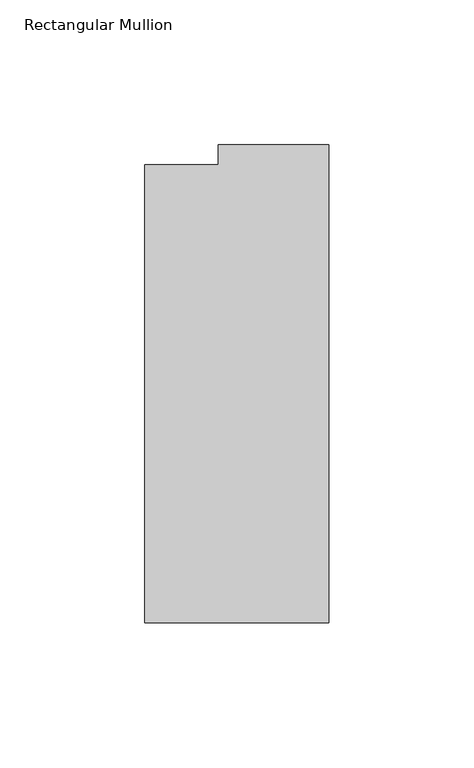
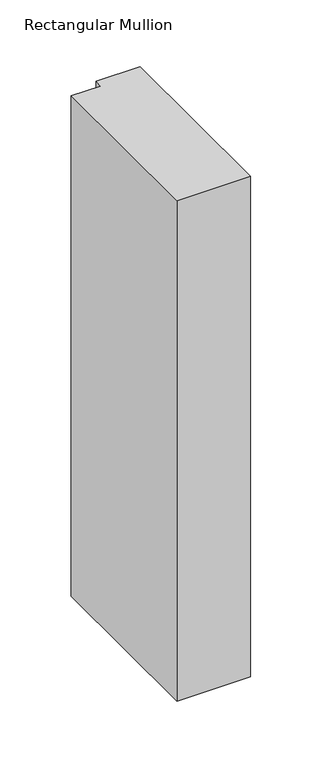
"""IFC4 building model written with IfcOpenShell, lengths in millimetres: member geometry, Rectangular Mullion."""

import ifcopenshell
import ifcopenshell.guid

model = None  # the IFC model being written
_history = None  # IfcOwnerHistory: only IFC2X3 demands one
_inside = {}  # id of a spatial element -> (the spatial element, [elements in it])
_under = {}  # id of a project, library or spatial element -> (it, [spatial elements below it])
_declared = {}  # id of a project -> (the project, [libraries it declares])
_typed = {}  # id of a type object -> (the type object, [elements of that type])
_made_of = {}  # id of a material, layer set ... -> (it, [elements and type objects made of it])


def new_model(schema):
    """Start an empty IFC model of exactly this schema.

    Asked for "IFC4X3", IfcOpenShell would pick the latest addendum, in which some entities
    have other attributes; the version numbers below select the first issue.
    IFC2X3 requires an IfcOwnerHistory on every rooted entity: one is made here for all.
    """
    global model, _history
    if schema == "IFC4X3":
        model = ifcopenshell.file(schema_version=(4, 3, 0, 0))
    else:
        model = ifcopenshell.file(schema=schema)
    _inside.clear()
    _under.clear()
    _declared.clear()
    _typed.clear()
    _made_of.clear()
    _history = None
    if model.schema == "IFC2X3":
        org = make("IfcOrganization", Name="unknown")
        user = make(
            "IfcPersonAndOrganization",
            ThePerson=make("IfcPerson", FamilyName="unknown"),
            TheOrganization=org,
        )
        app = make(
            "IfcApplication",
            ApplicationDeveloper=org,
            Version="unknown",
            ApplicationFullName="unknown",
            ApplicationIdentifier="unknown",
        )
        _history = make(
            "IfcOwnerHistory",
            OwningUser=user,
            OwningApplication=app,
            ChangeAction="ADDED",
            CreationDate=0,
        )
    return model


def make(cls, **values):
    """One entity of the class cls with the attributes given. An attribute that is None is left unset."""
    return model.create_entity(
        cls, **{name: value for name, value in values.items() if value is not None}
    )


def rooted(cls, **values):
    """An entity with a GlobalId (a new one), such as an element, a storey or a relation."""
    return make(cls, GlobalId=ifcopenshell.guid.new(), OwnerHistory=_history, **values)


def si_unit(unit_type, name, prefix=None):
    """IfcSIUnit, for example si_unit("LENGTHUNIT", "METRE", prefix="MILLI")."""
    return make("IfcSIUnit", UnitType=unit_type, Prefix=prefix, Name=name)


def assignment(units):
    """IfcUnitAssignment: the units of a project."""
    return None if units is None else make("IfcUnitAssignment", Units=units)


def point(xyz):
    """IfcCartesianPoint."""
    return None if xyz is None else make("IfcCartesianPoint", Coordinates=xyz)


def direction(xyz):
    """IfcDirection."""
    return None if xyz is None else make("IfcDirection", DirectionRatios=xyz)


def frame(location, z_axis=None, x_axis=None):
    """IfcAxis2Placement3D, a coordinate frame: its origin and axes. An axis left out is left unset."""
    return make(
        "IfcAxis2Placement3D",
        Location=point(location),
        Axis=direction(z_axis),
        RefDirection=direction(x_axis),
    )


def origin():
    """The frame at (0, 0, 0) with its axes left unset."""
    return frame((0.0, 0.0, 0.0))


def place(relative_to, where):
    """IfcLocalPlacement: puts the frame where relative to a parent placement (None: the world)."""
    return make(
        "IfcLocalPlacement", PlacementRelTo=relative_to, RelativePlacement=where
    )


def context(
    kind, dimensions, precision=None, world=None, true_north=None, identifier=None
):
    """IfcGeometricRepresentationContext, for example the 3D "Model" context."""
    return make(
        "IfcGeometricRepresentationContext",
        ContextIdentifier=identifier,
        ContextType=kind,
        CoordinateSpaceDimension=dimensions,
        Precision=precision,
        WorldCoordinateSystem=world,
        TrueNorth=true_north,
    )


def project(units=None, contexts=None):
    """IfcProject with its units and contexts."""
    return rooted(
        "IfcProject",
        Name="project",
        RepresentationContexts=contexts,
        UnitsInContext=assignment(units),
    )


def spatial(cls, under=None, at=None, **own):
    """A site, building, storey or space (cls), placed at a placement, below another one or the project."""
    s = rooted(cls, ObjectPlacement=at, **own)
    if under is not None:
        _under.setdefault(under.id(), (under, []))[1].append(s)
    return s


def polyline(points):
    """IfcPolyline through the points."""
    return make("IfcPolyline", Points=[point(p) for p in points])


def outline(outer, holes=None, kind="AREA"):
    """IfcArbitraryClosedProfileDef: a profile drawn as a closed curve; with holes, ...WithVoids."""
    if holes is None:
        return make("IfcArbitraryClosedProfileDef", ProfileType=kind, OuterCurve=outer)
    return make(
        "IfcArbitraryProfileDefWithVoids",
        ProfileType=kind,
        OuterCurve=outer,
        InnerCurves=holes,
    )


def extrude(swept, where, along, depth):
    """IfcExtrudedAreaSolid: the profile swept, set in the frame where, extruded along a direction by depth."""
    return make(
        "IfcExtrudedAreaSolid",
        SweptArea=swept,
        Position=where,
        ExtrudedDirection=direction(along),
        Depth=depth,
    )


def shape(context_of_items, identifier, shape_type, items):
    """IfcShapeRepresentation: the items that make up one representation, for example the "Body"."""
    return make(
        "IfcShapeRepresentation",
        ContextOfItems=context_of_items,
        RepresentationIdentifier=identifier,
        RepresentationType=shape_type,
        Items=items,
    )


def source(mapping_origin, context_of_items, identifier, shape_type, items):
    """IfcRepresentationMap: a shape defined once, which mapped items show again and again."""
    return make(
        "IfcRepresentationMap",
        MappingOrigin=mapping_origin,
        MappedRepresentation=shape(context_of_items, identifier, shape_type, items),
    )


def transform(
    local_origin,
    x_axis=None,
    y_axis=None,
    z_axis=None,
    scale=None,
    scale2=None,
    scale3=None,
    uniform=True,
):
    """IfcCartesianTransformationOperator3D, or its non-uniform kind. x_axis, y_axis, z_axis: its Axis1, 2, 3."""
    if uniform:
        return make(
            "IfcCartesianTransformationOperator3D",
            Axis1=direction(x_axis),
            Axis2=direction(y_axis),
            LocalOrigin=point(local_origin),
            Scale=scale,
            Axis3=direction(z_axis),
        )
    return make(
        "IfcCartesianTransformationOperator3DnonUniform",
        Axis1=direction(x_axis),
        Axis2=direction(y_axis),
        LocalOrigin=point(local_origin),
        Scale=scale,
        Axis3=direction(z_axis),
        Scale2=scale2,
        Scale3=scale3,
    )


def mapped(mapping_source, mapping_target):
    """IfcMappedItem: shows the shape of a source again, moved by a transform."""
    return make(
        "IfcMappedItem", MappingSource=mapping_source, MappingTarget=mapping_target
    )


def made_of(thing, what):
    """Note that an element or type object is made of a material, layer set ...; save() writes the relation."""
    if what is not None:
        _made_of.setdefault(what.id(), (what, []))[1].append(thing)
    return thing


def element(
    cls,
    number,
    at=None,
    inside=None,
    cuts=None,
    type_object=None,
    material=None,
    context=None,
    identifier="Body",
    shape_type=None,
    held_by="IfcProductDefinitionShape",
    body=None,
    shapes=None,
    **own,
):
    """One element of the class cls, such as IfcWall. Its Tag is "e" and its number.

    at: its placement. inside: the storey or other place that contains it. cuts: it is an
    opening in that element (IfcRelVoidsElement). A single representation is given by context,
    identifier, shape_type and body (its items); several are given by shapes. held_by: the class
    of the entity that holds the representations. save() writes the other relations.
    """
    e = rooted(cls, Tag="e%d" % number, ObjectPlacement=at, **own)
    if body is not None:
        shapes = [shape(context, identifier, shape_type, body)]
    if shapes is not None:
        e.Representation = make(held_by, Representations=shapes)
    if inside is not None:
        _inside.setdefault(inside.id(), (inside, []))[1].append(e)
    if cuts is not None:
        rooted(
            "IfcRelVoidsElement", RelatingBuildingElement=cuts, RelatedOpeningElement=e
        )
    if type_object is not None:
        _typed.setdefault(type_object.id(), (type_object, []))[1].append(e)
    return made_of(e, material)


def aggregate(whole, parts):
    """IfcRelAggregates: a whole, such as a stair, and the parts it consists of."""
    return rooted("IfcRelAggregates", RelatingObject=whole, RelatedObjects=parts)


def save(model, path):
    """Write the relations noted so far, then the file.

    IfcRelAggregates (storeys below a building ...), IfcRelContainedInSpatialStructure (elements
    in a storey), IfcRelDefinesByType, IfcRelAssociatesMaterial and IfcRelDeclares: one each for
    every whole, place, type object, material and project.
    """
    for whole, parts in _under.values():
        aggregate(whole, parts)
    for where, things in _inside.values():
        rooted(
            "IfcRelContainedInSpatialStructure",
            RelatedElements=things,
            RelatingStructure=where,
        )
    for kind, things in _typed.values():
        rooted("IfcRelDefinesByType", RelatedObjects=things, RelatingType=kind)
    for what, things in _made_of.values():
        rooted("IfcRelAssociatesMaterial", RelatedObjects=things, RelatingMaterial=what)
    for by, libraries in _declared.values():
        rooted("IfcRelDeclares", RelatingContext=by, RelatedDefinitions=libraries)
    model.write(path)


def rectangular_mullion_39025ef6(model_context):
    return source(origin(), model_context, "Body", "SweptSolid", [
        extrude(outline(polyline([(-38.1, 32.54375), (0.0, 32.54375), (0.0, -132.55625), (-63.5, -132.55625), (-63.5, 25.58415), (-38.1, 25.58415), (-38.1, 32.54375)])), frame((0.0, 0.0, -457.2), z_axis=(0.0, 0.0, 1.0), x_axis=(1.0, 0.0, 0.0)), (0.0, 0.0, 1.0), 457.2),
    ])


if __name__ == "__main__":
    model = new_model("IFC4")
    model_context = context("Model", 3, world=origin())
    ifc_project = project(units=[si_unit("LENGTHUNIT", "METRE", prefix="MILLI")], contexts=[model_context])
    site = spatial("IfcSite", under=ifc_project)
    building = spatial("IfcBuilding", under=site)
    placement = place(None, origin())
    rectangular_mullion_shape = rectangular_mullion_39025ef6(model_context)
    element("IfcMember", 1, ObjectType="Rectangular Mullion", at=placement, inside=building, context=model_context, shape_type="MappedRepresentation", body=[
        mapped(rectangular_mullion_shape, transform((0.0, 0.0, 0.0), x_axis=(1.0, 0.0, 0.0), y_axis=(0.0, 1.0, 0.0), z_axis=(0.0, 0.0, 1.0))),
    ])
    save(model, "model.ifc")
